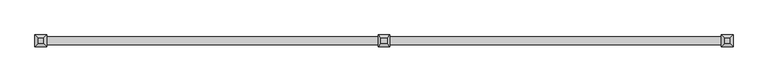
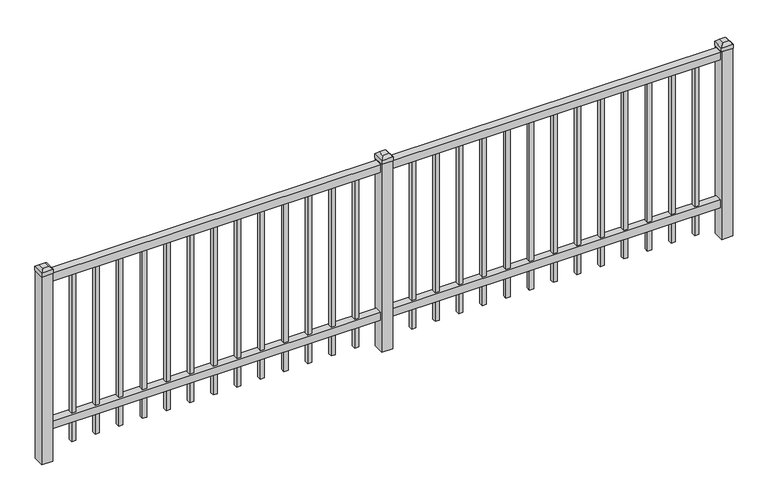
"""IFC4 building model written with IfcOpenShell, lengths in millimetres: railing geometry."""

from ifc_helpers import new_model, si_unit, frame, origin, origin_with_axes, place, context, project, spatial, polyline, outline, extrude, faceted_brep, source, transform, mapped, element, save


def railing_e42fb602(model_context):
    return source(origin(), model_context, "Body", "SolidModel", [
        extrude(outline(polyline([(-91799.918087, 3004.8804826), (-91799.918087, 3039.8054826), (-88650.318087, 3039.8054826), (-88650.318087, 3004.8804826), (-91799.918087, 3004.8804826)])), frame((0.0, 0.0, 876.3), z_axis=(0.0, 0.0, 1.0), x_axis=(1.0, 0.0, 0.0)), (0.0, 0.0, 1.0), 38.1),
        extrude(outline(polyline([(-91799.918087, 3004.8804826), (-91799.918087, 3039.8054826), (-88650.318087, 3039.8054826), (-88650.318087, 3004.8804826), (-91799.918087, 3004.8804826)])), frame((0.0, 0.0, 152.4), z_axis=(0.0, 0.0, 1.0), x_axis=(1.0, 0.0, 0.0)), (0.0, 0.0, 1.0), 38.1),
        extrude(outline(polyline([(-88881.8285036, 3031.8679826), (-88881.8285036, 3012.8179826), (-88900.8785036, 3012.8179826), (-88900.8785036, 3031.8679826), (-88881.8285036, 3031.8679826)])), frame((0.0, 0.0, 50.8), z_axis=(0.0, 0.0, 1.0), x_axis=(1.0, 0.0, 0.0)), (0.0, 0.0, 1.0), 825.5),
        extrude(outline(polyline([(-88991.1014203, 3031.8679826), (-88991.1014203, 3012.8179826), (-89010.1514203, 3012.8179826), (-89010.1514203, 3031.8679826), (-88991.1014203, 3031.8679826)])), frame((0.0, 0.0, 50.8), z_axis=(0.0, 0.0, 1.0), x_axis=(1.0, 0.0, 0.0)), (0.0, 0.0, 1.0), 825.5),
        extrude(outline(polyline([(-89100.374337, 3031.8679826), (-89100.374337, 3012.8179826), (-89119.424337, 3012.8179826), (-89119.424337, 3031.8679826), (-89100.374337, 3031.8679826)])), frame((0.0, 0.0, 50.8), z_axis=(0.0, 0.0, 1.0), x_axis=(1.0, 0.0, 0.0)), (0.0, 0.0, 1.0), 825.5),
        extrude(outline(polyline([(-89209.6472536, 3031.8679826), (-89209.6472536, 3012.8179826), (-89228.6972536, 3012.8179826), (-89228.6972536, 3031.8679826), (-89209.6472536, 3031.8679826)])), frame((0.0, 0.0, 50.8), z_axis=(0.0, 0.0, 1.0), x_axis=(1.0, 0.0, 0.0)), (0.0, 0.0, 1.0), 825.5),
        extrude(outline(polyline([(-89318.9201703, 3031.8679826), (-89318.9201703, 3012.8179826), (-89337.9701703, 3012.8179826), (-89337.9701703, 3031.8679826), (-89318.9201703, 3031.8679826)])), frame((0.0, 0.0, 50.8), z_axis=(0.0, 0.0, 1.0), x_axis=(1.0, 0.0, 0.0)), (0.0, 0.0, 1.0), 825.5),
        extrude(outline(polyline([(-89428.193087, 3031.8679826), (-89428.193087, 3012.8179826), (-89447.243087, 3012.8179826), (-89447.243087, 3031.8679826), (-89428.193087, 3031.8679826)])), frame((0.0, 0.0, 50.8), z_axis=(0.0, 0.0, 1.0), x_axis=(1.0, 0.0, 0.0)), (0.0, 0.0, 1.0), 825.5),
        extrude(outline(polyline([(-89537.4660036, 3031.8679826), (-89537.4660036, 3012.8179826), (-89556.5160036, 3012.8179826), (-89556.5160036, 3031.8679826), (-89537.4660036, 3031.8679826)])), frame((0.0, 0.0, 50.8), z_axis=(0.0, 0.0, 1.0), x_axis=(1.0, 0.0, 0.0)), (0.0, 0.0, 1.0), 825.5),
        extrude(outline(polyline([(-89646.7389203, 3031.8679826), (-89646.7389203, 3012.8179826), (-89665.7889203, 3012.8179826), (-89665.7889203, 3031.8679826), (-89646.7389203, 3031.8679826)])), frame((0.0, 0.0, 50.8), z_axis=(0.0, 0.0, 1.0), x_axis=(1.0, 0.0, 0.0)), (0.0, 0.0, 1.0), 825.5),
        extrude(outline(polyline([(-89756.011837, 3031.8679826), (-89756.011837, 3012.8179826), (-89775.061837, 3012.8179826), (-89775.061837, 3031.8679826), (-89756.011837, 3031.8679826)])), frame((0.0, 0.0, 50.8), z_axis=(0.0, 0.0, 1.0), x_axis=(1.0, 0.0, 0.0)), (0.0, 0.0, 1.0), 825.5),
        extrude(outline(polyline([(-89865.2847536, 3031.8679826), (-89865.2847536, 3012.8179826), (-89884.3347536, 3012.8179826), (-89884.3347536, 3031.8679826), (-89865.2847536, 3031.8679826)])), frame((0.0, 0.0, 50.8), z_axis=(0.0, 0.0, 1.0), x_axis=(1.0, 0.0, 0.0)), (0.0, 0.0, 1.0), 825.5),
        extrude(outline(polyline([(-89974.5576703, 3031.8679826), (-89974.5576703, 3012.8179826), (-89993.6076703, 3012.8179826), (-89993.6076703, 3031.8679826), (-89974.5576703, 3031.8679826)])), frame((0.0, 0.0, 50.8), z_axis=(0.0, 0.0, 1.0), x_axis=(1.0, 0.0, 0.0)), (0.0, 0.0, 1.0), 825.5),
        extrude(outline(polyline([(-88772.555587, 3031.8679826), (-88772.555587, 3012.8179826), (-88791.605587, 3012.8179826), (-88791.605587, 3031.8679826), (-88772.555587, 3031.8679826)])), frame((0.0, 0.0, 50.8), z_axis=(0.0, 0.0, 1.0), x_axis=(1.0, 0.0, 0.0)), (0.0, 0.0, 1.0), 825.5),
        extrude(outline(polyline([(-90083.830587, 3031.8679826), (-90083.830587, 3012.8179826), (-90102.880587, 3012.8179826), (-90102.880587, 3031.8679826), (-90083.830587, 3031.8679826)])), frame((0.0, 0.0, 50.8), z_axis=(0.0, 0.0, 1.0), x_axis=(1.0, 0.0, 0.0)), (0.0, 0.0, 1.0), 825.5),
        faceted_brep([(-90252.105587, 3049.3304826, 939.8), (-90252.105587, 3049.3304826, 920.75), (-90252.105587, 2995.3554826, 920.75), (-90252.105587, 2995.3554826, 939.8), (-90239.405587, 3036.6304826, 952.5), (-90239.405587, 3008.0554826, 952.5), (-90198.130587, 2995.3554826, 920.75), (-90198.130587, 2995.3554826, 939.8), (-90210.830587, 3008.0554826, 952.5), (-90198.130587, 3049.3304826, 920.75), (-90198.130587, 3049.3304826, 939.8), (-90210.830587, 3036.6304826, 952.5)], [[[0, 1, 2, 3]], [[4, 0, 3, 5]], [[3, 2, 6, 7]], [[5, 3, 7, 8]], [[7, 6, 9, 10]], [[8, 7, 10, 11]], [[10, 9, 1, 0]], [[11, 10, 0, 4]], [[5, 8, 11, 4]], [[1, 9, 6, 2]]]),
        extrude(outline(polyline([(-90199.718087, 3047.7429826), (-90199.718087, 2996.9429826), (-90250.518087, 2996.9429826), (-90250.518087, 3047.7429826), (-90199.718087, 3047.7429826)])), origin_with_axes(), (0.0, 0.0, 1.0), 920.75),
        extrude(outline(polyline([(-90456.6285036, 3031.8679826), (-90456.6285036, 3012.8179826), (-90475.6785036, 3012.8179826), (-90475.6785036, 3031.8679826), (-90456.6285036, 3031.8679826)])), frame((0.0, 0.0, 50.8), z_axis=(0.0, 0.0, 1.0), x_axis=(1.0, 0.0, 0.0)), (0.0, 0.0, 1.0), 825.5),
        extrude(outline(polyline([(-90565.9014203, 3031.8679826), (-90565.9014203, 3012.8179826), (-90584.9514203, 3012.8179826), (-90584.9514203, 3031.8679826), (-90565.9014203, 3031.8679826)])), frame((0.0, 0.0, 50.8), z_axis=(0.0, 0.0, 1.0), x_axis=(1.0, 0.0, 0.0)), (0.0, 0.0, 1.0), 825.5),
        extrude(outline(polyline([(-90675.174337, 3031.8679826), (-90675.174337, 3012.8179826), (-90694.224337, 3012.8179826), (-90694.224337, 3031.8679826), (-90675.174337, 3031.8679826)])), frame((0.0, 0.0, 50.8), z_axis=(0.0, 0.0, 1.0), x_axis=(1.0, 0.0, 0.0)), (0.0, 0.0, 1.0), 825.5),
        extrude(outline(polyline([(-90784.4472536, 3031.8679826), (-90784.4472536, 3012.8179826), (-90803.4972536, 3012.8179826), (-90803.4972536, 3031.8679826), (-90784.4472536, 3031.8679826)])), frame((0.0, 0.0, 50.8), z_axis=(0.0, 0.0, 1.0), x_axis=(1.0, 0.0, 0.0)), (0.0, 0.0, 1.0), 825.5),
        extrude(outline(polyline([(-90893.7201703, 3031.8679826), (-90893.7201703, 3012.8179826), (-90912.7701703, 3012.8179826), (-90912.7701703, 3031.8679826), (-90893.7201703, 3031.8679826)])), frame((0.0, 0.0, 50.8), z_axis=(0.0, 0.0, 1.0), x_axis=(1.0, 0.0, 0.0)), (0.0, 0.0, 1.0), 825.5),
        extrude(outline(polyline([(-91002.993087, 3031.8679826), (-91002.993087, 3012.8179826), (-91022.043087, 3012.8179826), (-91022.043087, 3031.8679826), (-91002.993087, 3031.8679826)])), frame((0.0, 0.0, 50.8), z_axis=(0.0, 0.0, 1.0), x_axis=(1.0, 0.0, 0.0)), (0.0, 0.0, 1.0), 825.5),
        extrude(outline(polyline([(-91112.2660036, 3031.8679826), (-91112.2660036, 3012.8179826), (-91131.3160036, 3012.8179826), (-91131.3160036, 3031.8679826), (-91112.2660036, 3031.8679826)])), frame((0.0, 0.0, 50.8), z_axis=(0.0, 0.0, 1.0), x_axis=(1.0, 0.0, 0.0)), (0.0, 0.0, 1.0), 825.5),
        extrude(outline(polyline([(-91221.5389203, 3031.8679826), (-91221.5389203, 3012.8179826), (-91240.5889203, 3012.8179826), (-91240.5889203, 3031.8679826), (-91221.5389203, 3031.8679826)])), frame((0.0, 0.0, 50.8), z_axis=(0.0, 0.0, 1.0), x_axis=(1.0, 0.0, 0.0)), (0.0, 0.0, 1.0), 825.5),
        extrude(outline(polyline([(-91330.811837, 3031.8679826), (-91330.811837, 3012.8179826), (-91349.861837, 3012.8179826), (-91349.861837, 3031.8679826), (-91330.811837, 3031.8679826)])), frame((0.0, 0.0, 50.8), z_axis=(0.0, 0.0, 1.0), x_axis=(1.0, 0.0, 0.0)), (0.0, 0.0, 1.0), 825.5),
        extrude(outline(polyline([(-91440.0847536, 3031.8679826), (-91440.0847536, 3012.8179826), (-91459.1347536, 3012.8179826), (-91459.1347536, 3031.8679826), (-91440.0847536, 3031.8679826)])), frame((0.0, 0.0, 50.8), z_axis=(0.0, 0.0, 1.0), x_axis=(1.0, 0.0, 0.0)), (0.0, 0.0, 1.0), 825.5),
        extrude(outline(polyline([(-91549.3576703, 3031.8679826), (-91549.3576703, 3012.8179826), (-91568.4076703, 3012.8179826), (-91568.4076703, 3031.8679826), (-91549.3576703, 3031.8679826)])), frame((0.0, 0.0, 50.8), z_axis=(0.0, 0.0, 1.0), x_axis=(1.0, 0.0, 0.0)), (0.0, 0.0, 1.0), 825.5),
        extrude(outline(polyline([(-90347.355587, 3031.8679826), (-90347.355587, 3012.8179826), (-90366.405587, 3012.8179826), (-90366.405587, 3031.8679826), (-90347.355587, 3031.8679826)])), frame((0.0, 0.0, 50.8), z_axis=(0.0, 0.0, 1.0), x_axis=(1.0, 0.0, 0.0)), (0.0, 0.0, 1.0), 825.5),
        extrude(outline(polyline([(-91658.630587, 3031.8679826), (-91658.630587, 3012.8179826), (-91677.680587, 3012.8179826), (-91677.680587, 3031.8679826), (-91658.630587, 3031.8679826)])), frame((0.0, 0.0, 50.8), z_axis=(0.0, 0.0, 1.0), x_axis=(1.0, 0.0, 0.0)), (0.0, 0.0, 1.0), 825.5),
        faceted_brep([(-88677.305587, 3049.3304826, 939.8), (-88677.305587, 3049.3304826, 920.75), (-88677.305587, 2995.3554826, 920.75), (-88677.305587, 2995.3554826, 939.8), (-88664.605587, 3036.6304826, 952.5), (-88664.605587, 3008.0554826, 952.5), (-88623.330587, 2995.3554826, 920.75), (-88623.330587, 2995.3554826, 939.8), (-88636.030587, 3008.0554826, 952.5), (-88623.330587, 3049.3304826, 920.75), (-88623.330587, 3049.3304826, 939.8), (-88636.030587, 3036.6304826, 952.5)], [[[0, 1, 2, 3]], [[4, 0, 3, 5]], [[3, 2, 6, 7]], [[5, 3, 7, 8]], [[7, 6, 9, 10]], [[8, 7, 10, 11]], [[10, 9, 1, 0]], [[11, 10, 0, 4]], [[5, 8, 11, 4]], [[1, 9, 6, 2]]]),
        extrude(outline(polyline([(-88624.918087, 3047.7429826), (-88624.918087, 2996.9429826), (-88675.718087, 2996.9429826), (-88675.718087, 3047.7429826), (-88624.918087, 3047.7429826)])), origin_with_axes(), (0.0, 0.0, 1.0), 920.75),
        faceted_brep([(-91826.905587, 3049.3304826, 939.8), (-91826.905587, 3049.3304826, 920.75), (-91826.905587, 2995.3554826, 920.75), (-91826.905587, 2995.3554826, 939.8), (-91814.205587, 3036.6304826, 952.5), (-91814.205587, 3008.0554826, 952.5), (-91772.930587, 2995.3554826, 920.75), (-91772.930587, 2995.3554826, 939.8), (-91785.630587, 3008.0554826, 952.5), (-91772.930587, 3049.3304826, 920.75), (-91772.930587, 3049.3304826, 939.8), (-91785.630587, 3036.6304826, 952.5)], [[[0, 1, 2, 3]], [[4, 0, 3, 5]], [[3, 2, 6, 7]], [[5, 3, 7, 8]], [[7, 6, 9, 10]], [[8, 7, 10, 11]], [[10, 9, 1, 0]], [[11, 10, 0, 4]], [[5, 8, 11, 4]], [[1, 9, 6, 2]]]),
        extrude(outline(polyline([(-91774.518087, 3047.7429826), (-91774.518087, 2996.9429826), (-91825.318087, 2996.9429826), (-91825.318087, 3047.7429826), (-91774.518087, 3047.7429826)])), origin_with_axes(), (0.0, 0.0, 1.0), 920.75),
    ])


if __name__ == "__main__":
    model = new_model("IFC4")
    model_context = context("Model", 3, world=origin())
    ifc_project = project(units=[si_unit("LENGTHUNIT", "METRE", prefix="MILLI")], contexts=[model_context])
    site = spatial("IfcSite", under=ifc_project)
    building = spatial("IfcBuilding", under=site)
    placement = place(None, origin())
    railing_shape = railing_e42fb602(model_context)
    element("IfcRailing", 1, at=placement, inside=building, context=model_context, shape_type="MappedRepresentation", body=[
        mapped(railing_shape, transform((0.0, 0.0, 0.0), x_axis=(1.0, 0.0, 0.0), y_axis=(0.0, 1.0, 0.0), z_axis=(0.0, 0.0, 1.0))),
    ])
    save(model, "model.ifc")
